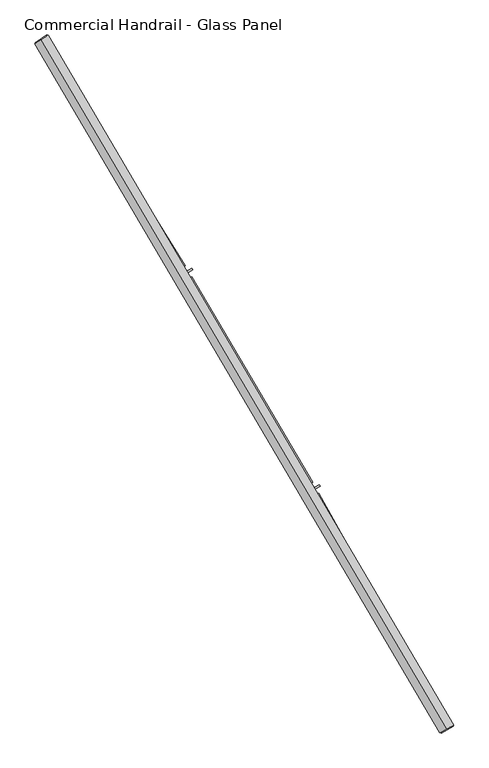
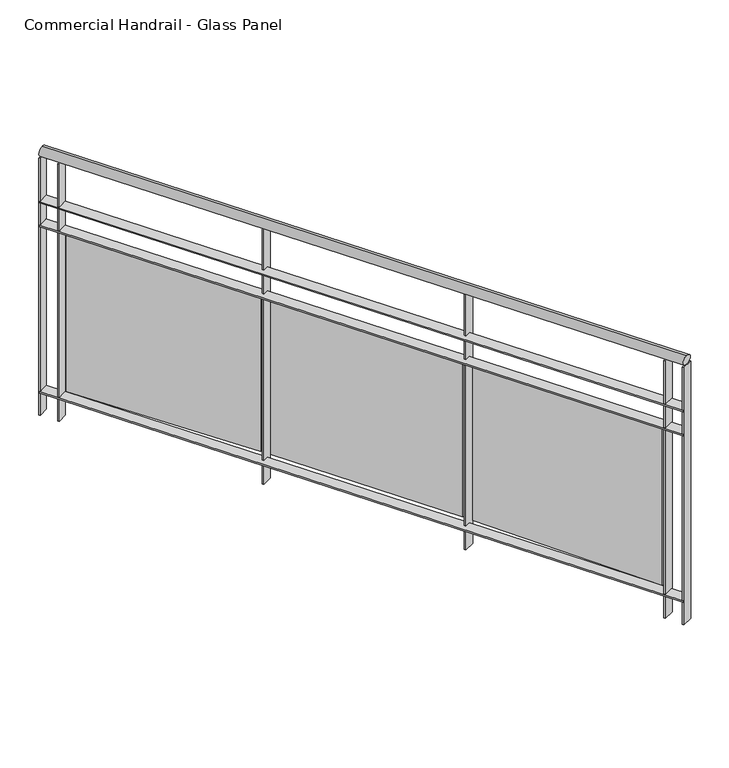
"""IFC4 building model written with IfcOpenShell, lengths in millimetres: railing geometry, Commercial Handrail - Glass Panel."""

import ifcopenshell
import ifcopenshell.guid

model = None  # the IFC model being written
_history = None  # IfcOwnerHistory: only IFC2X3 demands one
_inside = {}  # id of a spatial element -> (the spatial element, [elements in it])
_under = {}  # id of a project, library or spatial element -> (it, [spatial elements below it])
_declared = {}  # id of a project -> (the project, [libraries it declares])
_typed = {}  # id of a type object -> (the type object, [elements of that type])
_made_of = {}  # id of a material, layer set ... -> (it, [elements and type objects made of it])


def new_model(schema):
    """Start an empty IFC model of exactly this schema.

    Asked for "IFC4X3", IfcOpenShell would pick the latest addendum, in which some entities
    have other attributes; the version numbers below select the first issue.
    IFC2X3 requires an IfcOwnerHistory on every rooted entity: one is made here for all.
    """
    global model, _history
    if schema == "IFC4X3":
        model = ifcopenshell.file(schema_version=(4, 3, 0, 0))
    else:
        model = ifcopenshell.file(schema=schema)
    _inside.clear()
    _under.clear()
    _declared.clear()
    _typed.clear()
    _made_of.clear()
    _history = None
    if model.schema == "IFC2X3":
        org = make("IfcOrganization", Name="unknown")
        user = make(
            "IfcPersonAndOrganization",
            ThePerson=make("IfcPerson", FamilyName="unknown"),
            TheOrganization=org,
        )
        app = make(
            "IfcApplication",
            ApplicationDeveloper=org,
            Version="unknown",
            ApplicationFullName="unknown",
            ApplicationIdentifier="unknown",
        )
        _history = make(
            "IfcOwnerHistory",
            OwningUser=user,
            OwningApplication=app,
            ChangeAction="ADDED",
            CreationDate=0,
        )
    return model


def make(cls, **values):
    """One entity of the class cls with the attributes given. An attribute that is None is left unset."""
    return model.create_entity(
        cls, **{name: value for name, value in values.items() if value is not None}
    )


def rooted(cls, **values):
    """An entity with a GlobalId (a new one), such as an element, a storey or a relation."""
    return make(cls, GlobalId=ifcopenshell.guid.new(), OwnerHistory=_history, **values)


def si_unit(unit_type, name, prefix=None):
    """IfcSIUnit, for example si_unit("LENGTHUNIT", "METRE", prefix="MILLI")."""
    return make("IfcSIUnit", UnitType=unit_type, Prefix=prefix, Name=name)


def assignment(units):
    """IfcUnitAssignment: the units of a project."""
    return None if units is None else make("IfcUnitAssignment", Units=units)


def point(xyz):
    """IfcCartesianPoint."""
    return None if xyz is None else make("IfcCartesianPoint", Coordinates=xyz)


def direction(xyz):
    """IfcDirection."""
    return None if xyz is None else make("IfcDirection", DirectionRatios=xyz)


def frame(location, z_axis=None, x_axis=None):
    """IfcAxis2Placement3D, a coordinate frame: its origin and axes. An axis left out is left unset."""
    return make(
        "IfcAxis2Placement3D",
        Location=point(location),
        Axis=direction(z_axis),
        RefDirection=direction(x_axis),
    )


def origin():
    """The frame at (0, 0, 0) with its axes left unset."""
    return frame((0.0, 0.0, 0.0))


def place(relative_to, where):
    """IfcLocalPlacement: puts the frame where relative to a parent placement (None: the world)."""
    return make(
        "IfcLocalPlacement", PlacementRelTo=relative_to, RelativePlacement=where
    )


def context(
    kind, dimensions, precision=None, world=None, true_north=None, identifier=None
):
    """IfcGeometricRepresentationContext, for example the 3D "Model" context."""
    return make(
        "IfcGeometricRepresentationContext",
        ContextIdentifier=identifier,
        ContextType=kind,
        CoordinateSpaceDimension=dimensions,
        Precision=precision,
        WorldCoordinateSystem=world,
        TrueNorth=true_north,
    )


def project(units=None, contexts=None):
    """IfcProject with its units and contexts."""
    return rooted(
        "IfcProject",
        Name="project",
        RepresentationContexts=contexts,
        UnitsInContext=assignment(units),
    )


def spatial(cls, under=None, at=None, **own):
    """A site, building, storey or space (cls), placed at a placement, below another one or the project."""
    s = rooted(cls, ObjectPlacement=at, **own)
    if under is not None:
        _under.setdefault(under.id(), (under, []))[1].append(s)
    return s


def polyline(points):
    """IfcPolyline through the points."""
    return make("IfcPolyline", Points=[point(p) for p in points])


def circle_curve(where, radius):
    """IfcCircle in the frame where."""
    return make("IfcCircle", Position=where, Radius=radius)


def ellipse_curve(where, semi_axis1, semi_axis2):
    """IfcEllipse in the frame where."""
    return make(
        "IfcEllipse", Position=where, SemiAxis1=semi_axis1, SemiAxis2=semi_axis2
    )


def trimmed(basis, trim1, trim2, sense, master):
    """IfcTrimmedCurve: the piece of a basis curve between two trims."""
    return make(
        "IfcTrimmedCurve",
        BasisCurve=basis,
        Trim1=trim1,
        Trim2=trim2,
        SenseAgreement=sense,
        MasterRepresentation=master,
    )


def outline(outer, holes=None, kind="AREA"):
    """IfcArbitraryClosedProfileDef: a profile drawn as a closed curve; with holes, ...WithVoids."""
    if holes is None:
        return make("IfcArbitraryClosedProfileDef", ProfileType=kind, OuterCurve=outer)
    return make(
        "IfcArbitraryProfileDefWithVoids",
        ProfileType=kind,
        OuterCurve=outer,
        InnerCurves=holes,
    )


def extrude(swept, where, along, depth):
    """IfcExtrudedAreaSolid: the profile swept, set in the frame where, extruded along a direction by depth."""
    return make(
        "IfcExtrudedAreaSolid",
        SweptArea=swept,
        Position=where,
        ExtrudedDirection=direction(along),
        Depth=depth,
    )


def shape(context_of_items, identifier, shape_type, items):
    """IfcShapeRepresentation: the items that make up one representation, for example the "Body"."""
    return make(
        "IfcShapeRepresentation",
        ContextOfItems=context_of_items,
        RepresentationIdentifier=identifier,
        RepresentationType=shape_type,
        Items=items,
    )


def source(mapping_origin, context_of_items, identifier, shape_type, items):
    """IfcRepresentationMap: a shape defined once, which mapped items show again and again."""
    return make(
        "IfcRepresentationMap",
        MappingOrigin=mapping_origin,
        MappedRepresentation=shape(context_of_items, identifier, shape_type, items),
    )


def transform(
    local_origin,
    x_axis=None,
    y_axis=None,
    z_axis=None,
    scale=None,
    scale2=None,
    scale3=None,
    uniform=True,
):
    """IfcCartesianTransformationOperator3D, or its non-uniform kind. x_axis, y_axis, z_axis: its Axis1, 2, 3."""
    if uniform:
        return make(
            "IfcCartesianTransformationOperator3D",
            Axis1=direction(x_axis),
            Axis2=direction(y_axis),
            LocalOrigin=point(local_origin),
            Scale=scale,
            Axis3=direction(z_axis),
        )
    return make(
        "IfcCartesianTransformationOperator3DnonUniform",
        Axis1=direction(x_axis),
        Axis2=direction(y_axis),
        LocalOrigin=point(local_origin),
        Scale=scale,
        Axis3=direction(z_axis),
        Scale2=scale2,
        Scale3=scale3,
    )


def mapped(mapping_source, mapping_target):
    """IfcMappedItem: shows the shape of a source again, moved by a transform."""
    return make(
        "IfcMappedItem", MappingSource=mapping_source, MappingTarget=mapping_target
    )


def made_of(thing, what):
    """Note that an element or type object is made of a material, layer set ...; save() writes the relation."""
    if what is not None:
        _made_of.setdefault(what.id(), (what, []))[1].append(thing)
    return thing


def element(
    cls,
    number,
    at=None,
    inside=None,
    cuts=None,
    type_object=None,
    material=None,
    context=None,
    identifier="Body",
    shape_type=None,
    held_by="IfcProductDefinitionShape",
    body=None,
    shapes=None,
    **own,
):
    """One element of the class cls, such as IfcWall. Its Tag is "e" and its number.

    at: its placement. inside: the storey or other place that contains it. cuts: it is an
    opening in that element (IfcRelVoidsElement). A single representation is given by context,
    identifier, shape_type and body (its items); several are given by shapes. held_by: the class
    of the entity that holds the representations. save() writes the other relations.
    """
    e = rooted(cls, Tag="e%d" % number, ObjectPlacement=at, **own)
    if body is not None:
        shapes = [shape(context, identifier, shape_type, body)]
    if shapes is not None:
        e.Representation = make(held_by, Representations=shapes)
    if inside is not None:
        _inside.setdefault(inside.id(), (inside, []))[1].append(e)
    if cuts is not None:
        rooted(
            "IfcRelVoidsElement", RelatingBuildingElement=cuts, RelatedOpeningElement=e
        )
    if type_object is not None:
        _typed.setdefault(type_object.id(), (type_object, []))[1].append(e)
    return made_of(e, material)


def aggregate(whole, parts):
    """IfcRelAggregates: a whole, such as a stair, and the parts it consists of."""
    return rooted("IfcRelAggregates", RelatingObject=whole, RelatedObjects=parts)


def save(model, path):
    """Write the relations noted so far, then the file.

    IfcRelAggregates (storeys below a building ...), IfcRelContainedInSpatialStructure (elements
    in a storey), IfcRelDefinesByType, IfcRelAssociatesMaterial and IfcRelDeclares: one each for
    every whole, place, type object, material and project.
    """
    for whole, parts in _under.values():
        aggregate(whole, parts)
    for where, things in _inside.values():
        rooted(
            "IfcRelContainedInSpatialStructure",
            RelatedElements=things,
            RelatingStructure=where,
        )
    for kind, things in _typed.values():
        rooted("IfcRelDefinesByType", RelatedObjects=things, RelatingType=kind)
    for what, things in _made_of.values():
        rooted("IfcRelAssociatesMaterial", RelatedObjects=things, RelatingMaterial=what)
    for by, libraries in _declared.values():
        rooted("IfcRelDeclares", RelatingContext=by, RelatedDefinitions=libraries)
    model.write(path)


def plane_surface(at):
    """IfcPlane: the flat surface through the origin of the frame at, square to its z axis."""
    return make("IfcPlane", Position=at)


def cylinder_surface(at, radius):
    """IfcCylindricalSurface: all points at the distance radius from the z axis of the frame at."""
    return make("IfcCylindricalSurface", Position=at, Radius=radius)


def revolved_surface(curve, axis_point, axis_direction):
    """IfcSurfaceOfRevolution: the curve turned about the line through axis_point along axis_direction."""
    return make(
        "IfcSurfaceOfRevolution",
        SweptCurve=make("IfcArbitraryOpenProfileDef", ProfileType="CURVE", Curve=curve),
        AxisPosition=make("IfcAxis1Placement", Location=point(axis_point), Axis=direction(axis_direction)),
    )


def advanced_brep(points, edges, surfaces, faces):
    """IfcAdvancedBrep: a solid bounded by faces that lie on surfaces and meet in shared edges.

    An edge is (start, end): straight between two places in points (the first is 0);
    or (start, end, curve); or (start, end, curve, False) where it runs against its curve.
    A face is (place in surfaces, loops), or (place, loops, False) where it looks against
    its surface's normal. A loop lists edges by number (the first is 1), with a minus sign
    where the edge is run from its end to its start. The first loop is the outer one.
    """
    corners = [point(p) for p in points]
    vertices = [make("IfcVertexPoint", VertexGeometry=c) for c in corners]
    made = []
    for start, end, *more in edges:
        made.append(
            make(
                "IfcEdgeCurve",
                EdgeStart=vertices[start],
                EdgeEnd=vertices[end],
                EdgeGeometry=more[0] if more else make("IfcPolyline", Points=[corners[start], corners[end]]),
                SameSense=more[1] if len(more) > 1 else True,
            )
        )
    hull = []
    for where, loops, *sense in faces:
        bounds = []
        for j, loop in enumerate(loops):
            ring = [make("IfcOrientedEdge", EdgeElement=made[abs(k) - 1], Orientation=k > 0) for k in loop]
            bounds.append(
                make(
                    "IfcFaceOuterBound" if j == 0 else "IfcFaceBound",
                    Bound=make("IfcEdgeLoop", EdgeList=ring),
                    Orientation=True,
                )
            )
        hull.append(make("IfcAdvancedFace", Bounds=bounds, FaceSurface=surfaces[where], SameSense=sense[0] if sense else True))
    return make("IfcAdvancedBrep", Outer=make("IfcClosedShell", CfsFaces=hull))


def commercial_handrail_glass_panel_584992db(model_context):
    return source(origin(), model_context, "Body", "SolidModel", [
        advanced_brep(
        [(177076.0575657, -31977.9006077, 9482.5), (175783.9289157, -29780.3413827, 9482.5), (175783.9289157, -29780.3413827, 9517.5), (177076.0575657, -31977.9006077, 9517.5)],
        [
            (0, 1, circle_curve(frame((146629.3968491, -48401.3811221, 9482.5), z_axis=(0.0, 0.0, 1.0), x_axis=(0.8427679503753938, 0.5382770493157384, 0.0)), 34593.7835601)),
            (1, 2, ellipse_curve(frame((175783.9289157, -29780.3413827, 9500.0), z_axis=(0.5382770493157334, -0.842767950375397, 0.0), x_axis=(-0.842767950375397, -0.5382770493157334, 0.0)), 25.0, 17.5)),
            (2, 3, circle_curve(frame((146629.3968491, -48401.3811221, 9517.5), z_axis=(0.0, 0.0, -1.0), x_axis=(0.8427679503753938, 0.5382770493157384, 0.0)), 34593.7835601)),
            (3, 0, ellipse_curve(frame((177076.0575657, -31977.9006077, 9500.0), z_axis=(-0.47475236369846063, 0.8801194198304708, 0.0), x_axis=(-0.8801194198304708, -0.47475236369846063, 0.0)), 25.0, 17.5)),
            (2, 1, ellipse_curve(frame((175783.9289157, -29780.3413827, 9500.0), z_axis=(0.5382770493157334, -0.842767950375397, 0.0), x_axis=(-0.842767950375397, -0.5382770493157334, 0.0)), 25.0, 17.5)),
            (0, 3, ellipse_curve(frame((177076.0575657, -31977.9006077, 9500.0), z_axis=(-0.47475236369846063, 0.8801194198304708, 0.0), x_axis=(-0.8801194198304708, -0.47475236369846063, 0.0)), 25.0, 17.5)),
        ],
        [
            revolved_surface(trimmed(ellipse_curve(frame((175783.9289157, -29780.3413827, 9500.0), z_axis=(-0.5382770493157384, 0.8427679503753938, 0.0), x_axis=(0.0, 0.0, -1.0)), 17.5, 25.0), [point((175783.9289157, -29780.3413827, 9517.5))], [point((175783.9289157, -29780.3413827, 9482.5))], True, "CARTESIAN"), (146629.3968491, -48401.3811221, 9500.0), (0.0, 0.0, -1.0)),
            revolved_surface(trimmed(ellipse_curve(frame((175783.9289157, -29780.3413827, 9500.0), z_axis=(-0.5382770493157384, 0.8427679503753938, 0.0), x_axis=(0.0, 0.0, -1.0)), 17.5, 25.0), [point((175783.9289157, -29780.3413827, 9482.5))], [point((175783.9289157, -29780.3413827, 9517.5))], True, "CARTESIAN"), (146629.3968491, -48401.3811221, 9500.0), (0.0, 0.0, -1.0)),
            plane_surface(frame((175783.9289157, -29780.3413827, 9500.0), z_axis=(-0.5382770493157384, 0.8427679503753938, 0.0), x_axis=(0.8427679503753938, 0.5382770493157384, 0.0))),
            plane_surface(frame((177076.0575657, -31977.9006077, 9500.0), z_axis=(0.4747523636984607, -0.8801194198304708, 0.0), x_axis=(0.8801194198304708, 0.4747523636984607, 0.0))),
        ],
        [
            (0, [[1, 2, 3, 4]]),
            (1, [[-3, 5, -1, 6]]),
            (2, [[-2, -5]]),
            (3, [[-6, -4]]),
        ],
    ),
        advanced_brep(
        [(177095.8602527, -31967.2186795, 9300.0), (175802.8911946, -29768.2301491, 9300.0), (175764.9666369, -29792.4526163, 9300.0), (177056.2548788, -31988.5825359, 9300.0), (177095.8602527, -31967.2186795, 9294.0), (175802.8911946, -29768.2301491, 9294.0), (177056.2548788, -31988.5825359, 9294.0), (175764.9666369, -29792.4526163, 9294.0)],
        [
            (0, 1, circle_curve(frame((146629.3968491, -48401.3811221, 9300.0), z_axis=(0.0, 0.0, 1.0), x_axis=(0.8427679503753938, 0.5382770493157384, 0.0)), 34616.2835601)),
            (1, 2),
            (2, 3, circle_curve(frame((146629.3968491, -48401.3811221, 9300.0), z_axis=(0.0, 0.0, -1.0), x_axis=(0.8427679503753938, 0.5382770493157384, 0.0)), 34571.2835601)),
            (3, 0),
            (4, 5, circle_curve(frame((146629.3968491, -48401.3811221, 9294.0), z_axis=(0.0, 0.0, 1.0), x_axis=(0.8427679503753938, 0.5382770493157384, 0.0)), 34616.2835601)),
            (5, 1),
            (0, 4),
            (6, 7, circle_curve(frame((146629.3968491, -48401.3811221, 9294.0), z_axis=(0.0, 0.0, 1.0), x_axis=(0.8427679503753938, 0.5382770493157384, 0.0)), 34571.2835601)),
            (7, 5),
            (4, 6),
            (2, 7),
            (6, 3),
        ],
        [
            plane_surface(frame((146629.3968491, -48401.3811221, 9300.0), z_axis=(0.0, 0.0, 1.0), x_axis=(0.8427679503753938, 0.5382770493157384, 0.0))),
            cylinder_surface(frame((146629.3968491, -48401.3811221, 9300.0), z_axis=(0.0, 0.0, -1.0), x_axis=(0.8427679503753938, 0.5382770493157384, 0.0)), 34616.2835601),
            plane_surface(frame((146629.3968491, -48401.3811221, 9294.0), z_axis=(0.0, 0.0, -1.0), x_axis=(0.8427679503753938, 0.5382770493157384, 0.0))),
            revolved_surface(polyline([(175764.96663689203, -29792.45261631168, 9294.0), (175764.96663689203, -29792.45261631168, 9300.0)]), (146629.3968491, -48401.3811221, 9300.0), (0.0, 0.0, -1.0)),
            plane_surface(frame((175783.9289157, -29780.3413827, 9300.0), z_axis=(-0.5382770493157384, 0.8427679503753938, 0.0), x_axis=(0.8427679503753938, 0.5382770493157384, 0.0))),
            plane_surface(frame((177076.0575657, -31977.9006077, 9300.0), z_axis=(0.4747523636984607, -0.8801194198304708, 0.0), x_axis=(0.8801194198304708, 0.4747523636984607, 0.0))),
        ],
        [
            (0, [[1, 2, 3, 4]]),
            (1, [[5, 6, -1, 7]]),
            (2, [[8, 9, -5, 10]]),
            (3, [[-3, 11, -8, 12]]),
            (4, [[-2, -6, -9, -11]]),
            (5, [[-12, -10, -7, -4]]),
        ],
    ),
        advanced_brep(
        [(177095.8602527, -31967.2186795, 9200.0), (175802.8911946, -29768.2301491, 9200.0), (175764.9666369, -29792.4526163, 9200.0), (177056.2548788, -31988.5825359, 9200.0), (177095.8602527, -31967.2186795, 9194.0), (175802.8911946, -29768.2301491, 9194.0), (177056.2548788, -31988.5825359, 9194.0), (175764.9666369, -29792.4526163, 9194.0)],
        [
            (0, 1, circle_curve(frame((146629.3968491, -48401.3811221, 9200.0), z_axis=(0.0, 0.0, 1.0), x_axis=(0.8427679503753938, 0.5382770493157384, 0.0)), 34616.2835601)),
            (1, 2),
            (2, 3, circle_curve(frame((146629.3968491, -48401.3811221, 9200.0), z_axis=(0.0, 0.0, -1.0), x_axis=(0.8427679503753938, 0.5382770493157384, 0.0)), 34571.2835601)),
            (3, 0),
            (4, 5, circle_curve(frame((146629.3968491, -48401.3811221, 9194.0), z_axis=(0.0, 0.0, 1.0), x_axis=(0.8427679503753938, 0.5382770493157384, 0.0)), 34616.2835601)),
            (5, 1),
            (0, 4),
            (6, 7, circle_curve(frame((146629.3968491, -48401.3811221, 9194.0), z_axis=(0.0, 0.0, 1.0), x_axis=(0.8427679503753938, 0.5382770493157384, 0.0)), 34571.2835601)),
            (7, 5),
            (4, 6),
            (2, 7),
            (6, 3),
        ],
        [
            plane_surface(frame((146629.3968491, -48401.3811221, 9200.0), z_axis=(0.0, 0.0, 1.0), x_axis=(0.8427679503753938, 0.5382770493157384, 0.0))),
            cylinder_surface(frame((146629.3968491, -48401.3811221, 9200.0), z_axis=(0.0, 0.0, -1.0), x_axis=(0.8427679503753938, 0.5382770493157384, 0.0)), 34616.2835601),
            plane_surface(frame((146629.3968491, -48401.3811221, 9194.0), z_axis=(0.0, 0.0, -1.0), x_axis=(0.8427679503753938, 0.5382770493157384, 0.0))),
            revolved_surface(polyline([(175764.96663689203, -29792.45261631168, 9194.0), (175764.96663689203, -29792.45261631168, 9200.0)]), (146629.3968491, -48401.3811221, 9200.0), (0.0, 0.0, -1.0)),
            plane_surface(frame((175783.9289157, -29780.3413827, 9200.0), z_axis=(-0.5382770493157384, 0.8427679503753938, 0.0), x_axis=(0.8427679503753938, 0.5382770493157384, 0.0))),
            plane_surface(frame((177076.0575657, -31977.9006077, 9200.0), z_axis=(0.4747523636984607, -0.8801194198304708, 0.0), x_axis=(0.8801194198304708, 0.4747523636984607, 0.0))),
        ],
        [
            (0, [[1, 2, 3, 4]]),
            (1, [[5, 6, -1, 7]]),
            (2, [[8, 9, -5, 10]]),
            (3, [[-3, 11, -8, 12]]),
            (4, [[-2, -6, -9, -11]]),
            (5, [[-12, -10, -7, -4]]),
        ],
    ),
        advanced_brep(
        [(177095.8602527, -31967.2186795, 8500.0), (175802.8911946, -29768.2301491, 8500.0), (175764.9666369, -29792.4526163, 8500.0), (177056.2548788, -31988.5825359, 8500.0), (177095.8602527, -31967.2186795, 8494.0), (175802.8911946, -29768.2301491, 8494.0), (177056.2548788, -31988.5825359, 8494.0), (175764.9666369, -29792.4526163, 8494.0)],
        [
            (0, 1, circle_curve(frame((146629.3968491, -48401.3811221, 8500.0), z_axis=(0.0, 0.0, 1.0), x_axis=(0.8427679503753938, 0.5382770493157384, 0.0)), 34616.2835601)),
            (1, 2),
            (2, 3, circle_curve(frame((146629.3968491, -48401.3811221, 8500.0), z_axis=(0.0, 0.0, -1.0), x_axis=(0.8427679503753938, 0.5382770493157384, 0.0)), 34571.2835601)),
            (3, 0),
            (4, 5, circle_curve(frame((146629.3968491, -48401.3811221, 8494.0), z_axis=(0.0, 0.0, 1.0), x_axis=(0.8427679503753938, 0.5382770493157384, 0.0)), 34616.2835601)),
            (5, 1),
            (0, 4),
            (6, 7, circle_curve(frame((146629.3968491, -48401.3811221, 8494.0), z_axis=(0.0, 0.0, 1.0), x_axis=(0.8427679503753938, 0.5382770493157384, 0.0)), 34571.2835601)),
            (7, 5),
            (4, 6),
            (2, 7),
            (6, 3),
        ],
        [
            plane_surface(frame((146629.3968491, -48401.3811221, 8500.0), z_axis=(0.0, 0.0, 1.0), x_axis=(0.8427679503753938, 0.5382770493157384, 0.0))),
            cylinder_surface(frame((146629.3968491, -48401.3811221, 8500.0), z_axis=(0.0, 0.0, -1.0), x_axis=(0.8427679503753938, 0.5382770493157384, 0.0)), 34616.2835601),
            plane_surface(frame((146629.3968491, -48401.3811221, 8494.0), z_axis=(0.0, 0.0, -1.0), x_axis=(0.8427679503753938, 0.5382770493157384, 0.0))),
            revolved_surface(polyline([(175764.96663689203, -29792.45261631168, 8494.0), (175764.96663689203, -29792.45261631168, 8500.0)]), (146629.3968491, -48401.3811221, 8500.0), (0.0, 0.0, -1.0)),
            plane_surface(frame((175783.9289157, -29780.3413827, 8500.0), z_axis=(-0.5382770493157384, 0.8427679503753938, 0.0), x_axis=(0.8427679503753938, 0.5382770493157384, 0.0))),
            plane_surface(frame((177076.0575657, -31977.9006077, 8500.0), z_axis=(0.4747523636984607, -0.8801194198304708, 0.0), x_axis=(0.8801194198304708, 0.4747523636984607, 0.0))),
        ],
        [
            (0, [[1, 2, 3, 4]]),
            (1, [[5, 6, -1, 7]]),
            (2, [[8, 9, -5, 10]]),
            (3, [[-3, 11, -8, 12]]),
            (4, [[-2, -6, -9, -11]]),
            (5, [[-12, -10, -7, -4]]),
        ],
    ),
        extrude(outline(polyline([(177019.2025619, -31920.0776321), (177058.7615677, -31898.6280386), (177061.6215135, -31903.9025727), (177022.0625077, -31925.3521662), (177019.2025619, -31920.0776321)])), frame((0.0, 0.0, 8400.0), z_axis=(0.0, 0.0, 1.0), x_axis=(1.0, 0.0, 0.0)), (0.0, 0.0, 1.0), 1082.1192282),
        extrude(outline(polyline([(176667.9811331, -31226.6066951), (177037.9417222, -31890.4810526), (177027.4594955, -31896.3225355), (176657.4989064, -31232.4481781), (176667.9811331, -31226.6066951)])), frame((0.0, 0.0, 8520.0), z_axis=(0.0, 0.0, 1.0), x_axis=(1.0, 0.0, 0.0)), (0.0, 0.0, 1.0), 660.0),
        extrude(outline(polyline([(176629.9717234, -31221.766365), (176669.0241625, -31199.4077648), (176672.0053092, -31204.6147567), (176632.9528701, -31226.9733569), (176629.9717234, -31221.766365)])), frame((0.0, 0.0, 8400.0), z_axis=(0.0, 0.0, 1.0), x_axis=(1.0, 0.0, 0.0)), (0.0, 0.0, 1.0), 1082.1192282),
        extrude(outline(polyline([(176262.8087433, -30536.6023126), (176648.0214972, -31191.7443844), (176637.6771487, -31197.8266911), (176252.4643948, -30542.6846193), (176262.8087433, -30536.6023126)])), frame((0.0, 0.0, 8520.0), z_axis=(0.0, 0.0, 1.0), x_axis=(1.0, 0.0, 0.0)), (0.0, 0.0, 1.0), 660.0),
        extrude(outline(polyline([(176224.6975714, -30532.6421866), (176263.2225599, -30509.3865364), (176266.3233132, -30514.5232015), (176227.7983248, -30537.7788517), (176224.6975714, -30532.6421866)])), frame((0.0, 0.0, 8400.0), z_axis=(0.0, 0.0, 1.0), x_axis=(1.0, 0.0, 0.0)), (0.0, 0.0, 1.0), 1082.1192282),
        extrude(outline(polyline([(175841.7893867, -29856.1514219), (176242.0483063, -30502.2108598), (176231.8473678, -30508.5307375), (175831.5884482, -29862.4712996), (175841.7893867, -29856.1514219)])), frame((0.0, 0.0, 8520.0), z_axis=(0.0, 0.0, 1.0), x_axis=(1.0, 0.0, 0.0)), (0.0, 0.0, 1.0), 660.0),
        extrude(outline(polyline([(175803.5968332, -29853.0736178), (175841.5737692, -29828.9333539), (175844.792471, -29833.9969454), (175806.8155351, -29858.1372092), (175803.5968332, -29853.0736178)])), frame((0.0, 0.0, 8400.0), z_axis=(0.0, 0.0, 1.0), x_axis=(1.0, 0.0, 0.0)), (0.0, 0.0, 1.0), 1082.1192282),
        extrude(outline(polyline([(177054.8306217, -31985.9421776), (177094.4359956, -31964.5783212), (177097.2845098, -31969.8590378), (177057.6791359, -31991.2228941), (177054.8306217, -31985.9421776)])), frame((0.0, 0.0, 8400.0), z_axis=(0.0, 0.0, 1.0), x_axis=(1.0, 0.0, 0.0)), (0.0, 0.0, 1.0), 1082.1192282),
        extrude(outline(polyline([(175763.3518057, -29789.9243125), (175801.2763635, -29765.7018453), (175804.5060258, -29770.758453), (175766.581468, -29794.9809202), (175763.3518057, -29789.9243125)])), frame((0.0, 0.0, 8400.0), z_axis=(0.0, 0.0, 1.0), x_axis=(1.0, 0.0, 0.0)), (0.0, 0.0, 1.0), 1082.1192282),
    ])


if __name__ == "__main__":
    model = new_model("IFC4")
    model_context = context("Model", 3, world=origin())
    ifc_project = project(units=[si_unit("LENGTHUNIT", "METRE", prefix="MILLI")], contexts=[model_context])
    site = spatial("IfcSite", under=ifc_project)
    building = spatial("IfcBuilding", under=site)
    placement = place(None, origin())
    commercial_handrail_glass_panel_shape = commercial_handrail_glass_panel_584992db(model_context)
    element("IfcRailing", 1, ObjectType="Commercial Handrail - Glass Panel", at=placement, inside=building, context=model_context, shape_type="MappedRepresentation", body=[
        mapped(commercial_handrail_glass_panel_shape, transform((0.0, 0.0, 0.0), x_axis=(1.0, 0.0, 0.0), y_axis=(0.0, 1.0, 0.0), z_axis=(0.0, 0.0, 1.0))),
    ])
    save(model, "model.ifc")
